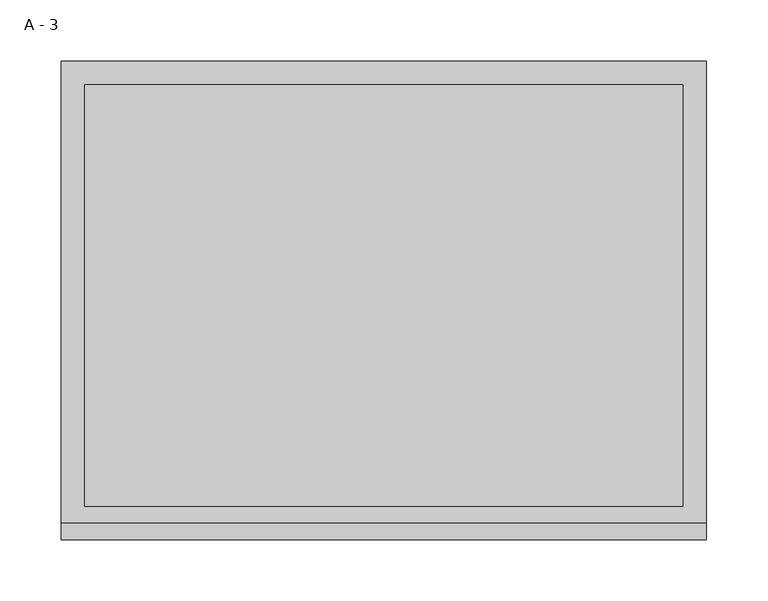
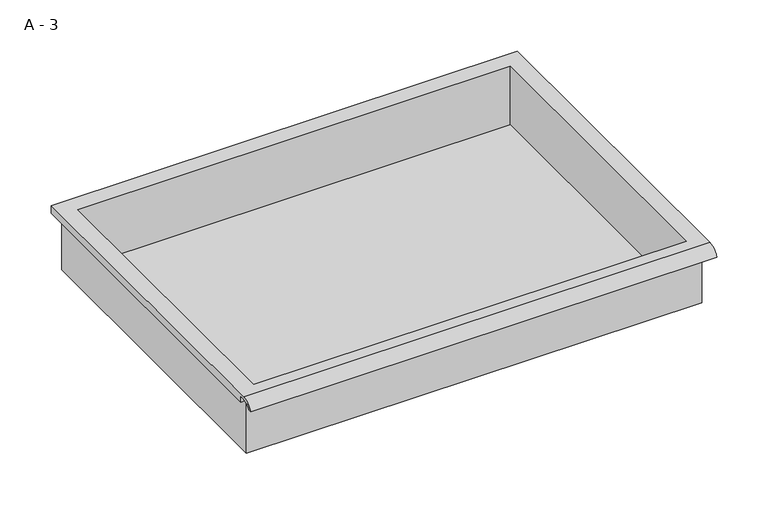
"""IFC4 building model written with IfcOpenShell, lengths in millimetres: furniture geometry, A - 3."""

from ifc_helpers import new_model, si_unit, frame, origin, place, context, project, spatial, polyline, circle_curve, source, transform, mapped, element, save
from ifc_brep_helpers import plane_surface, cylinder_surface, revolved_surface, advanced_brep


def a_3_bbbe8414(model_context):
    return source(origin(), model_context, "Body", "AdvancedBrep", [
        advanced_brep(
        [(-257.1076517, -176.2125, 684.21504), (257.2423483, -176.2125, 684.21504), (257.2423483, -176.2125, 747.71504), (263.5923483, -176.2125, 747.71504), (263.5923483, -176.2125, 754.0221741), (-263.4576517, -176.2125, 754.0221741), (-263.4576517, -176.2125, 747.71504), (-257.1076517, -176.2125, 747.71504), (257.2423483, 185.7375, 684.21504), (-257.1076517, 185.7375, 684.21504), (-257.1076517, 185.7375, 747.71504), (257.2423483, 185.7375, 747.71504), (263.5923483, -181.6070544, 757.24004), (263.5923483, 195.2625, 757.24004), (-263.4576517, 195.2625, 757.24004), (-263.4576517, -181.6070544, 757.24004), (244.5423483, -168.275, 757.24004), (-244.4076517, -168.275, 757.24004), (-244.4076517, 176.2125, 757.24004), (244.5423483, 176.2125, 757.24004), (263.5923483, -195.2625, 747.71504), (263.5923483, -191.8280601, 747.71504), (263.5923483, -180.4714815, 754.0221741), (263.5923483, 195.2625, 747.71504), (-263.4576517, 195.2625, 747.71504), (-263.4576517, -180.4714815, 754.0221741), (-263.4576517, -191.8280601, 747.71504), (-263.4576517, -195.2625, 747.71504), (-244.4076517, -168.275, 687.2412119), (244.5423483, -168.275, 687.2412119), (244.5423483, 176.2125, 687.2412119), (-244.4076517, 176.2125, 687.2412119)],
        [
            (0, 1),
            (1, 2),
            (2, 3),
            (3, 4),
            (4, 5),
            (5, 6),
            (6, 7),
            (7, 0),
            (8, 9),
            (9, 10),
            (10, 11),
            (11, 8),
            (0, 9),
            (8, 1),
            (11, 2),
            (12, 13),
            (13, 14),
            (14, 15),
            (15, 12),
            (16, 17),
            (17, 18),
            (18, 19),
            (19, 16),
            (7, 10),
            (12, 20, circle_curve(frame((263.5923483, -181.6070544, 742.6890259), z_axis=(1.0, 0.0, 0.0), x_axis=(0.0, 1.0, 0.0)), 14.5510141)),
            (20, 21),
            (21, 22, circle_curve(frame((263.5923483, -181.6070544, 742.6890259), z_axis=(-1.0, 0.0, 0.0), x_axis=(0.0, 1.0, 0.0)), 11.3898979)),
            (22, 4),
            (3, 23),
            (23, 13),
            (14, 24),
            (24, 6),
            (5, 25),
            (25, 26, circle_curve(frame((-263.4576517, -181.6070544, 742.6890259), z_axis=(1.0, 0.0, 0.0), x_axis=(0.0, 1.0, 0.0)), 11.3898979)),
            (26, 27),
            (27, 15, circle_curve(frame((-263.4576517, -181.6070544, 742.6890259), z_axis=(-1.0, 0.0, 0.0), x_axis=(0.0, 1.0, 0.0)), 14.5510141)),
            (27, 20),
            (26, 21),
            (25, 22),
            (24, 23),
            (28, 29),
            (29, 30),
            (30, 31),
            (31, 28),
            (28, 17),
            (16, 29),
            (19, 30),
            (18, 31),
        ],
        [
            plane_surface(frame((257.2423483, -176.2125, 684.21504), z_axis=(0.0, -1.0, 0.0), x_axis=(1.0, 0.0, 0.0))),
            plane_surface(frame((257.2423483, 185.7375, 684.21504), z_axis=(0.0, 1.0, 0.0), x_axis=(-1.0, 0.0, 0.0))),
            plane_surface(frame((-257.1076517, -176.2125, 684.21504), z_axis=(0.0, 0.0, -1.0), x_axis=(0.0, 1.0, 0.0))),
            plane_surface(frame((257.2423483, -176.2125, 684.21504), z_axis=(1.0, 0.0, 0.0), x_axis=(0.0, 1.0, 0.0))),
            plane_surface(frame((257.2423483, -176.2125, 757.24004), z_axis=(0.0, 0.0, 1.0), x_axis=(0.0, 1.0, 0.0))),
            plane_surface(frame((-257.1076517, -176.2125, 757.24004), z_axis=(-1.0, 0.0, 0.0), x_axis=(0.0, 1.0, 0.0))),
            plane_surface(frame((263.5923483, 195.2625, 757.24004), z_axis=(1.0, 0.0, 0.0), x_axis=(0.0, -1.0, 0.0))),
            plane_surface(frame((-263.4576517, 195.2625, 757.24004), z_axis=(-1.0, 0.0, 0.0), x_axis=(0.0, 1.0, 0.0))),
            cylinder_surface(frame((-263.4576517, -181.6070544, 742.6890259), z_axis=(1.0, 0.0, 0.0), x_axis=(0.0, 1.0, 0.0)), 14.5510141),
            plane_surface(frame((263.5923483, -195.2625, 747.71504), z_axis=(0.0, -7.133584965255184e-12, -1.0), x_axis=(-1.0, 0.0, 0.0))),
            revolved_surface(polyline([(-263.4576517, -170.21715650000002, 742.6890259), (263.59234829999997, -170.21715650000002, 742.6890259)]), (-263.4576517, -181.6070544, 742.6890259), (-1.0, 0.0, 0.0)),
            plane_surface(frame((263.5923483, -180.4714815, 754.0221741), z_axis=(0.0, -1.7670719051393052e-11, -1.0), x_axis=(-1.0, 0.0, 0.0))),
            plane_surface(frame((263.5923483, -176.2125, 747.71504), z_axis=(0.0, 0.0, -1.0), x_axis=(-1.0, 0.0, 0.0))),
            plane_surface(frame((263.5923483, 195.2625, 747.71504), z_axis=(0.0, 1.0, 0.0), x_axis=(-1.0, 0.0, 0.0))),
            plane_surface(frame((244.5423483, -168.275, 687.2412119), z_axis=(0.0, 0.0, 1.0), x_axis=(-1.0, 0.0, 0.0))),
            plane_surface(frame((-244.4076517, -168.275, 757.24004), z_axis=(0.0, 1.0, 0.0), x_axis=(0.0, 0.0, -1.0))),
            plane_surface(frame((244.5423483, -168.275, 757.24004), z_axis=(-1.0, 0.0, 0.0), x_axis=(0.0, 0.0, -1.0))),
            plane_surface(frame((244.5423483, 176.2125, 757.24004), z_axis=(0.0, -1.0, 0.0), x_axis=(0.0, 0.0, -1.0))),
            plane_surface(frame((-244.4076517, 176.2125, 757.24004), z_axis=(1.0, 0.0, 0.0), x_axis=(0.0, 0.0, -1.0))),
        ],
        [
            (0, [[1, 2, 3, 4, 5, 6, 7, 8]]),
            (1, [[9, 10, 11, 12]]),
            (2, [[-1, 13, -9, 14]]),
            (3, [[-14, -12, 15, -2]]),
            (4, [[16, 17, 18, 19], [20, 21, 22, 23]]),
            (5, [[-13, -8, 24, -10]]),
            (6, [[-16, 25, 26, 27, 28, -4, 29, 30]]),
            (7, [[31, 32, -6, 33, 34, 35, 36, -18]]),
            (8, [[-25, -19, -36, 37]]),
            (9, [[-26, -37, -35, 38]]),
            (10, [[-27, -38, -34, 39]]),
            (11, [[-28, -39, -33, -5]]),
            (12, [[-29, -3, -15, -11, -24, -7, -32, 40]]),
            (13, [[-30, -40, -31, -17]]),
            (14, [[41, 42, 43, 44]]),
            (15, [[-41, 45, -20, 46]]),
            (16, [[-42, -46, -23, 47]]),
            (17, [[-43, -47, -22, 48]]),
            (18, [[-44, -48, -21, -45]]),
        ],
    ),
    ])


if __name__ == "__main__":
    model = new_model("IFC4")
    model_context = context("Model", 3, world=origin())
    ifc_project = project(units=[si_unit("LENGTHUNIT", "METRE", prefix="MILLI")], contexts=[model_context])
    site = spatial("IfcSite", under=ifc_project)
    building = spatial("IfcBuilding", under=site)
    placement = place(None, origin())
    a_3_shape = a_3_bbbe8414(model_context)
    element("IfcFurniture", 1, ObjectType="A - 3", at=placement, inside=building, context=model_context, shape_type="MappedRepresentation", body=[
        mapped(a_3_shape, transform((0.0, 0.0, 0.0), x_axis=(1.0, 0.0, 0.0), y_axis=(0.0, 1.0, 0.0), z_axis=(0.0, 0.0, 1.0))),
    ])
    save(model, "model.ifc")
